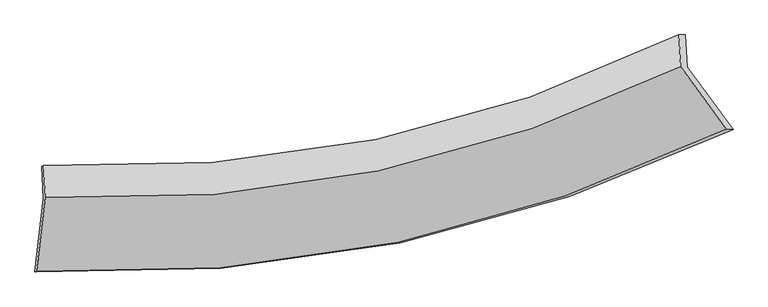
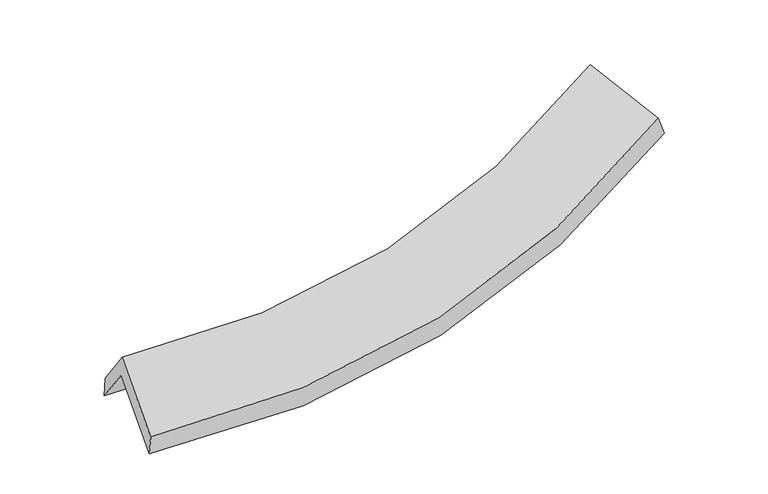
"""IFC4 building model written with IfcOpenShell, lengths in millimetres: proxy geometry."""

from ifc_helpers import new_model, si_unit, frame, origin, place, context, project, spatial, source, transform, mapped, element, save
from ifc_brep_helpers import plane_surface, spline_curve, spline_surface, advanced_brep


def generic_models_84284a77(model_context):
    return source(origin(), model_context, "Body", "AdvancedBrep", [
        advanced_brep(
        [(-2498.4440486, -2487.4569607, 1559.9150403), (-2435.9893307, -1950.9243448, 1939.323958), (2280.2938871, -985.667073, 2447.5630906), (2616.7266163, -1445.0229425, 2107.7845234), (-2448.5923268, -1716.9472119, 1610.525027), (2267.5886177, -749.7912159, 2116.0959566), (-2435.5588092, -1707.6676556, 1765.3843139), (2220.2699563, -749.8022585, 2265.6939765), (-2422.971763, -1941.3486763, 2093.7671301), (2232.9069178, -984.4099658, 2595.3790292), (-2486.0720312, -2483.4270513, 1710.4365301), (2567.118969, -1440.7337834, 2257.8432248)],
        [
            (0, 1),
            (1, 2, spline_curve(3, [(-2435.9893307, -1950.9243448, 1939.323958), (-1584.485747052, -1982.091868068, 1872.138941829), (-761.563750308, -1915.221144227, 1882.249982864), (809.260053975, -1589.110406109, 2055.099242508), (1558.432463542, -1334.228705858, 2214.401245361), (2280.2938871, -985.667073, 2447.5630906)], [4, 2, 4], [0.0, 8.488031687100397, 16.785249834564944])),
            (2, 3),
            (3, 0, spline_curve(3, [(2616.7266163, -1445.0229425, 2107.7845234), (1833.637293013, -1824.252589619, 1855.145853829), (1021.013754796, -2100.928616237, 1682.766862864), (-682.66909987, -2453.177771184, 1496.409743914), (-1575.10244958, -2523.979750939, 1486.16557395), (-2498.4440486, -2487.4569607, 1559.9150403)], [4, 2, 4], [0.0, 8.297218147464546, 16.785249834564944])),
            (1, 4),
            (4, 5, spline_curve(3, [(-2448.5923268, -1716.9472119, 1610.525027), (-1597.051239067, -1748.811005992, 1544.31845295), (-774.119421063, -1682.122615054, 1554.685719389), (796.669061465, -1355.356121662, 1726.613471615), (1545.797558518, -1099.659180469, 1884.769848219), (2267.5886177, -749.7912159, 2116.0959566)], [4, 2, 4], [0.0, 8.14434975781998, 16.105612050534972])),
            (5, 2),
            (4, 6),
            (6, 7, spline_curve(3, [(-2435.5588092, -1707.6676556, 1765.3843139), (-1594.122755282, -1743.904070822, 1706.203928537), (-781.330362506, -1680.16905553, 1719.595889293), (769.339198592, -1356.436335464, 1889.591998098), (1508.489727403, -1100.88288483, 2042.969925148), (2220.2699563, -749.8022585, 2265.6939765)], [4, 2, 4], [0.0, 8.093149699785396, 16.00436292737715])),
            (7, 5),
            (6, 8),
            (8, 9, spline_curve(3, [(-2422.971763, -1941.3486763, 2093.7671301), (-1581.553429044, -1977.256114758, 2034.12444653), (-768.765540973, -1913.437470593, 2047.398886791), (781.921246036, -1590.024553108, 2217.844401782), (1521.09291804, -1334.86362692, 2371.773927889), (2232.9069178, -984.4099658, 2595.3790292)], [4, 2, 4], [0.0, 8.042035693084326, 15.90328397242615])),
            (9, 7),
            (8, 10),
            (10, 11, spline_curve(3, [(-2486.0720312, -2483.4270513, 1710.4365301), (-1572.800025329, -2519.946062965, 1647.604463542), (-690.627306653, -2449.120117586, 1663.205832003), (992.387167079, -2096.783648614, 1849.161507951), (1794.611448172, -1820.045171347, 2016.02903758), (2567.118969, -1440.7337834, 2257.8432248)], [4, 2, 4], [0.0, 8.38466361854414, 16.580837443142084])),
            (11, 9),
            (10, 0),
            (3, 11),
        ],
        [
            spline_surface(3, 3, [[(-2498.4440486, -2487.4569607, 1559.9150403), (-1575.10244964, -2523.979750867, 1486.165573887), (-682.669099789, -2453.177771228, 1496.409744008), (1021.013754717, -2100.928616193, 1682.766862772), (1833.637293145, -1824.252589721, 1855.145853696), (2616.7266163, -1445.0229425, 2107.7845234)], [(-2477.62580931, -2308.612755395, 1686.384679556), (-1578.230215424, -2343.350456643, 1614.823363188), (-708.967316644, -2273.858895581, 1625.023157017), (950.429187846, -1930.32254613, 1806.877655991), (1741.902349883, -1660.911295121, 1974.897650924), (2504.582373208, -1291.904319313, 2221.044045806)], [(-2456.80756999, -2129.768550105, 1812.854318744), (-1581.35798118, -2162.721162433, 1743.481152421), (-735.265533541, -2094.540019957, 1753.636569982), (879.844620931, -1759.716476091, 1930.988449166), (1650.167406697, -1497.570000583, 2094.649448133), (2392.438130192, -1138.785696187, 2334.303568194)], [(-2435.9893307, -1950.9243448, 1939.323958), (-1584.485746964, -1982.091868209, 1872.138941721), (-761.563750395, -1915.221144309, 1882.249982991), (809.26005406, -1589.110406028, 2055.099242385), (1558.432463434, -1334.228705983, 2214.401245361), (2280.2938871, -985.667073, 2447.5630906)]], [4, 4], [4, 2, 4], [0.0, 2.1770498627025474], [0.0, 8.488031687100397, 16.785249834564944]),
            spline_surface(3, 3, [[(-2435.9893307, -1950.9243448, 1939.323958), (-1584.485746964, -1982.091868209, 1872.138941721), (-761.563750395, -1915.221144309, 1882.249982991), (809.26005406, -1589.110406028, 2055.099242385), (1558.432463434, -1334.228705983, 2214.401245361), (2280.2938871, -985.667073, 2447.5630906)], [(-2440.190329397, -1872.931967178, 1829.724314314), (-1588.6742443, -1904.331580847, 1762.865445419), (-765.748973991, -1837.521634589, 1773.061895134), (805.063056548, -1511.192311211, 1945.603985425), (1554.220828482, -1256.038864172, 2104.524112959), (2276.058797303, -907.041787321, 2337.074045928)], [(-2444.391328103, -1794.939589522, 1720.124670686), (-1592.862741645, -1826.571293452, 1653.591949174), (-769.934197558, -1759.822124865, 1663.873807318), (800.866059065, -1433.27421639, 1836.108728505), (1550.009193521, -1177.849022299, 1994.646980572), (2271.823707497, -828.416501579, 2226.585001272)], [(-2448.5923268, -1716.9472119, 1610.525027), (-1597.051238981, -1748.811006091, 1544.318452871), (-774.119421154, -1682.122615145, 1554.685719461), (796.669061553, -1355.356121573, 1726.613471544), (1545.797558569, -1099.659180488, 1884.76984817), (2267.5886177, -749.7912159, 2116.0959566)]], [4, 4], [4, 2, 4], [0.0, 1.3214752958915792], [0.0, 8.14434975781998, 16.105612050534972]),
            spline_surface(3, 3, [[(-2448.5923268, -1716.9472119, 1610.525027), (-1597.051238981, -1748.811006091, 1544.318452871), (-774.119421154, -1682.122615145, 1554.685719461), (796.669061553, -1355.356121573, 1726.613471544), (1545.797558569, -1099.659180488, 1884.76984817), (2267.5886177, -749.7912159, 2116.0959566)], [(-2444.247820942, -1713.854026478, 1662.144789304), (-1596.075077724, -1747.175360989, 1598.280278118), (-776.523068226, -1681.471428629, 1609.655776024), (787.559107198, -1355.716192853, 1780.939647079), (1533.361614883, -1100.067081942, 1937.503207173), (2251.815730578, -749.794896759, 2165.961963257)], [(-2439.903315058, -1710.760841022, 1713.764551596), (-1595.098916441, -1745.539715853, 1652.242103352), (-778.926715313, -1680.820242106, 1664.625832633), (778.449152829, -1356.076264125, 1835.265822659), (1520.925671163, -1100.47498342, 1990.236566106), (2236.042843422, -749.798577641, 2215.827969843)], [(-2435.5588092, -1707.6676556, 1765.3843139), (-1594.122755185, -1743.904070751, 1706.203928599), (-781.330362385, -1680.16905559, 1719.595889195), (769.339198474, -1356.436335405, 1889.591998193), (1508.489727476, -1100.882884874, 2042.969925108), (2220.2699563, -749.8022585, 2265.6939765)]], [4, 4], [4, 2, 4], [0.0, 0.5408421991092702], [0.0, 8.093149699785396, 16.00436292737715]),
            spline_surface(3, 3, [[(-2435.5588092, -1707.6676556, 1765.3843139), (-1594.122755185, -1743.904070751, 1706.203928599), (-781.330362385, -1680.16905559, 1719.595889195), (769.339198474, -1356.436335405, 1889.591998193), (1508.489727476, -1100.882884874, 2042.969925108), (2220.2699563, -749.8022585, 2265.6939765)], [(-2431.363127119, -1785.561329176, 1874.845252643), (-1589.932979797, -1821.688085408, 1815.510767943), (-777.142088531, -1757.925193955, 1828.863555075), (773.533214298, -1434.299074608, 1999.009466069), (1512.690790975, -1178.87646554, 2152.571259385), (2224.482276797, -828.004827589, 2375.58899405)], [(-2427.167445081, -1863.455002724, 1984.306191357), (-1585.74320445, -1899.472100038, 1924.81760726), (-772.953814707, -1835.681332323, 1938.131220914), (777.727230094, -1512.161813813, 2108.426933904), (1516.891854482, -1256.870046238, 2262.172593712), (2228.694597303, -906.207396711, 2485.48401165)], [(-2422.971763, -1941.3486763, 2093.7671301), (-1581.553429062, -1977.256114694, 2034.124446604), (-768.765540853, -1913.437470687, 2047.398886793), (781.921245919, -1590.024553016, 2217.84440178), (1521.09291798, -1334.863626904, 2371.773927989), (2232.9069178, -984.4099658, 2595.3790292)]], [4, 4], [4, 2, 4], [0.0, 1.321507151531037], [0.0, 8.042035693084326, 15.90328397242615]),
            spline_surface(3, 3, [[(-2422.971763, -1941.3486763, 2093.7671301), (-1581.553429062, -1977.256114694, 2034.124446604), (-768.765540853, -1913.437470687, 2047.398886793), (781.921245919, -1590.024553016, 2217.84440178), (1521.09291798, -1334.863626904, 2371.773927989), (2232.9069178, -984.4099658, 2595.3790292)], [(-2444.005185741, -2122.041467965, 1965.990263418), (-1578.635627855, -2158.152764153, 1905.284452245), (-742.71946278, -2091.998353017, 1919.334535202), (852.076552946, -1758.944251543, 2094.950103807), (1612.26576141, -1496.590808407, 2253.192297876), (2344.310934865, -1136.517905006, 2482.867094401)], [(-2465.038608459, -2302.734259635, 1838.213396782), (-1575.717826625, -2339.049413616, 1776.444457932), (-716.673384676, -2270.55923531, 1791.270183647), (922.231860004, -1927.863950033, 1972.055805872), (1703.438604845, -1658.317989892, 2134.610667762), (2455.714951935, -1288.625844194, 2370.355159599)], [(-2486.0720312, -2483.4270513, 1710.4365301), (-1572.800025417, -2519.946063075, 1647.604463573), (-690.627306603, -2449.12011764, 1663.205832056), (992.387167031, -2096.783648561, 1849.161507899), (1794.611448275, -1820.045171396, 2016.029037649), (2567.118969, -1440.7337834, 2257.8432248)]], [4, 4], [4, 2, 4], [0.0, 2.1619682908493445], [0.0, 8.38466361854414, 16.580837443142084]),
            spline_surface(3, 3, [[(-2486.0720312, -2483.4270513, 1710.4365301), (-1572.800025417, -2519.946063075, 1647.604463573), (-690.627306603, -2449.12011764, 1663.205832056), (992.387167031, -2096.783648561, 1849.161507899), (1794.611448275, -1820.045171396, 2016.029037649), (2567.118969, -1440.7337834, 2257.8432248)], [(-2490.196036991, -2484.770354407, 1660.262700165), (-1573.567500149, -2521.290625646, 1593.791500342), (-687.974571007, -2450.472668829, 1607.607136052), (1001.929362917, -2098.165304431, 1793.696626203), (1807.620063248, -1821.447644183, 1962.401309657), (2583.654851449, -1442.163503112, 2207.823657659)], [(-2494.320042809, -2486.113657593, 1610.088870235), (-1574.334974908, -2522.635188296, 1539.978537118), (-685.321835385, -2451.82522004, 1552.008440011), (1011.47155883, -2099.546960323, 1738.231744468), (1820.628678173, -1822.850116934, 1908.773581689), (2600.190733851, -1443.593222788, 2157.804090541)], [(-2498.4440486, -2487.4569607, 1559.9150403), (-1575.10244964, -2523.979750867, 1486.165573887), (-682.669099789, -2453.177771228, 1496.409744008), (1021.013754717, -2100.928616193, 1682.766862772), (1833.637293145, -1824.252589721, 1855.145853696), (2616.7266163, -1445.0229425, 2107.7845234)]], [4, 4], [4, 2, 4], [0.0, 0.5499466804930037], [0.0, 8.779906518298558, 17.362438061787056]),
            plane_surface(frame((2364.1508274, -1059.2378732, 2298.3933002), z_axis=(0.8611471091698839, 0.4292022210676702, 0.27241716135172367), x_axis=(0.5073965730325328, -0.6927851357380186, -0.5124426537431256))),
            plane_surface(frame((-2454.6047183, -2047.9619834, 1779.8919999), z_axis=(-0.9950243938032577, 0.059109718217406196, 0.080202848756879), x_axis=(0.08188896244475453, 0.026673507089670593, 0.9962844582995657))),
        ],
        [
            (0, [[1, 2, 3, 4]]),
            (1, [[5, 6, 7, -2]]),
            (2, [[8, 9, 10, -6]]),
            (3, [[11, 12, 13, -9]]),
            (4, [[14, 15, 16, -12]]),
            (5, [[17, -4, 18, -15]]),
            (6, [[-16, -18, -3, -7, -10, -13]]),
            (7, [[-17, -14, -11, -8, -5, -1]]),
        ],
    ),
    ])


if __name__ == "__main__":
    model = new_model("IFC4")
    model_context = context("Model", 3, world=origin())
    ifc_project = project(units=[si_unit("LENGTHUNIT", "METRE", prefix="MILLI")], contexts=[model_context])
    site = spatial("IfcSite", under=ifc_project)
    building = spatial("IfcBuilding", under=site)
    placement = place(None, origin())
    generic_models_shape = generic_models_84284a77(model_context)
    element("IfcBuildingElementProxy", 1, Name="Generic Models", at=placement, inside=building, context=model_context, shape_type="MappedRepresentation", body=[
        mapped(generic_models_shape, transform((0.0, 0.0, 0.0), x_axis=(1.0, 0.0, 0.0), y_axis=(0.0, 1.0, 0.0), z_axis=(0.0, 0.0, 1.0))),
    ])
    save(model, "model.ifc")
